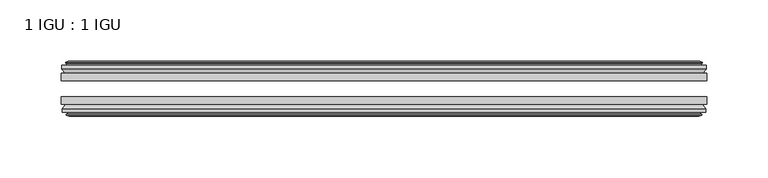
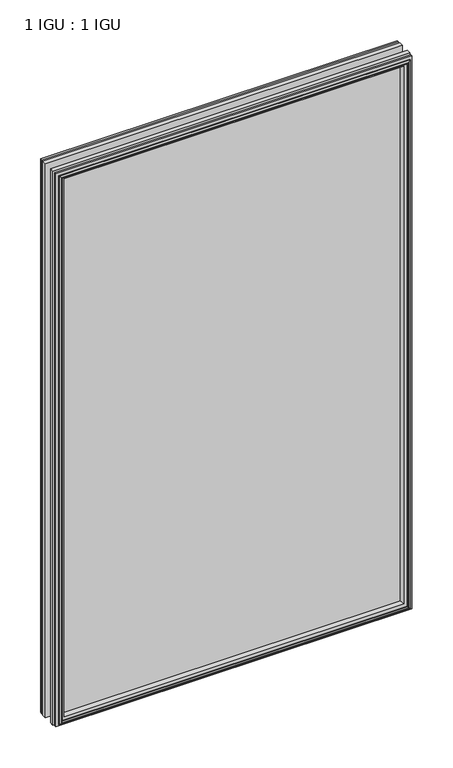
"""IFC4 building model written with IfcOpenShell, lengths in millimetres: plate geometry, 1 IGU : 1 IGU."""

from ifc_helpers import new_model, si_unit, frame, origin, place, context, project, spatial, polyline, outline, extrude, faceted_brep, source, transform, mapped, element, save


def plate_1_igu_1_igu_518a742e(model_context):
    return source(origin(), model_context, "Body", "SolidModel", [
        extrude(outline(polyline([(263.509125, -25.8960937), (263.509125, -32.2460938), (-263.509125, -32.2460938), (-263.509125, -25.8960937), (263.509125, -25.8960937)])), frame((0.0, 0.0, -12.7), z_axis=(0.0, 0.0, 1.0), x_axis=(1.0, 0.0, 0.0)), (0.0, 0.0, 1.0), 863.6),
        extrude(outline(polyline([(-263.509125, -51.2960938), (-263.509125, -45.2686737), (263.509125, -45.2686737), (263.509125, -51.2960938), (-263.509125, -51.2960938)])), frame((0.0, 0.0, -12.7), z_axis=(0.0, 0.0, 1.0), x_axis=(1.0, 0.0, 0.0)), (0.0, 0.0, 1.0), 863.6),
        faceted_brep([(-257.921125, -60.0262907, 845.312), (-258.302125, -57.6460937, 845.693), (-258.302125, -57.6460937, -7.493), (-257.921125, -60.0262907, -7.112), (-259.336654, -59.5663575, 846.727529), (-259.336654, -59.5663575, -8.5275291), (-259.336654, -60.3675717, 846.727529), (-259.336654, -60.3675717, -8.5275291), (-257.159125, -61.0750937, 844.55), (-257.159125, -61.0750937, -6.35), (-254.9815959, -60.3675717, 842.3724709), (-254.9815959, -60.3675717, -4.1724709), (-254.9815959, -59.5663575, 842.3724709), (-254.9815959, -59.5663575, -4.1724709), (-256.397125, -60.0262907, 843.788), (-256.397125, -60.0262907, -5.588), (-256.016125, -57.6460937, 843.407), (-256.016125, -57.6460937, -5.207), (-249.0914069, -51.2960937, 836.4822819), (-250.809125, -57.6460937, 838.2), (-250.809125, -57.6460937, 0.0), (-249.0914069, -51.2960937, 1.7177181), (-262.747125, -54.6996937, 850.138), (-259.9127828, -51.2960937, 847.3036578), (-259.9127828, -51.2960937, -9.1036578), (-262.747125, -54.6996937, -11.938), (-262.747125, -57.6460937, 850.138), (-262.747125, -57.6460937, -11.938), (258.302125, -57.6460938, -7.493), (257.921125, -60.0262907, -7.112), (259.336654, -59.5663575, -8.5275291), (259.336654, -60.3675717, -8.5275291), (257.159125, -61.0750937, -6.35), (254.9815959, -60.3675717, -4.1724709), (254.9815959, -59.5663575, -4.1724709), (256.397125, -60.0262907, -5.588), (256.016125, -57.6460937, -5.207), (250.809125, -57.6460937, 0.0), (249.0914069, -51.2960937, 1.7177181), (259.9127828, -51.2960937, -9.1036578), (262.747125, -54.6996937, -11.938), (262.747125, -57.6460938, -11.938), (258.302125, -57.6460938, 845.693), (257.921125, -60.0262907, 845.312), (259.336654, -59.5663575, 846.727529), (259.336654, -60.3675717, 846.727529), (257.159125, -61.0750937, 844.55), (254.9815959, -60.3675717, 842.3724709), (254.9815959, -59.5663575, 842.3724709), (256.397125, -60.0262907, 843.788), (256.016125, -57.6460937, 843.407), (250.809125, -57.6460937, 838.2), (249.0914069, -51.2960937, 836.4822819), (259.9127828, -51.2960937, 847.3036578), (262.747125, -54.6996937, 850.138), (262.747125, -57.6460938, 850.138)], [[[0, 1, 2, 3]], [[4, 0, 3, 5]], [[6, 4, 5, 7]], [[8, 6, 7, 9]], [[10, 8, 9, 11]], [[12, 10, 11, 13]], [[14, 12, 13, 15]], [[16, 14, 15, 17]], [[18, 19, 20, 21]], [[22, 23, 24, 25]], [[26, 22, 25, 27]], [[3, 2, 28, 29]], [[5, 3, 29, 30]], [[7, 5, 30, 31]], [[9, 7, 31, 32]], [[11, 9, 32, 33]], [[13, 11, 33, 34]], [[15, 13, 34, 35]], [[17, 15, 35, 36]], [[21, 20, 37, 38]], [[25, 24, 39, 40]], [[27, 25, 40, 41]], [[29, 28, 42, 43]], [[30, 29, 43, 44]], [[31, 30, 44, 45]], [[32, 31, 45, 46]], [[33, 32, 46, 47]], [[34, 33, 47, 48]], [[35, 34, 48, 49]], [[36, 35, 49, 50]], [[38, 37, 51, 52]], [[40, 39, 53, 54]], [[41, 40, 54, 55]], [[27, 41, 55, 26], [1, 42, 28, 2]], [[43, 42, 1, 0]], [[44, 43, 0, 4]], [[45, 44, 4, 6]], [[46, 45, 6, 8]], [[47, 46, 8, 10]], [[48, 47, 10, 12]], [[49, 48, 12, 14]], [[50, 49, 14, 16]], [[17, 36, 50, 16], [19, 51, 37, 20]], [[52, 51, 19, 18]], [[23, 53, 39, 24], [21, 38, 52, 18]], [[54, 53, 23, 22]], [[55, 54, 22, 26]]]),
        faceted_brep([(-260.4334828, -25.8960937, 847.8243578), (-263.267825, -22.4924937, 850.6587), (-263.267825, -22.4924937, -12.4587), (-260.4334828, -25.8960937, -9.6243578), (-251.329825, -19.5460937, 838.7207), (-249.6121069, -25.8960937, 837.0029819), (-249.6121069, -25.8960937, 1.1970181), (-251.329825, -19.5460937, -0.5207), (-256.917825, -17.1658968, 844.3087), (-256.536825, -19.5460937, 843.9277), (-256.536825, -19.5460937, -5.7277), (-256.917825, -17.1658968, -6.1087), (-255.5022959, -17.62583, 842.8931709), (-255.5022959, -17.62583, -4.6931709), (-255.5022959, -16.8246158, 842.8931709), (-255.5022959, -16.8246158, -4.6931709), (-257.679825, -16.1170937, 845.0707), (-257.679825, -16.1170937, -6.8707), (-259.857354, -16.8246158, 847.248229), (-259.857354, -16.8246158, -9.0482291), (-259.857354, -17.62583, 847.248229), (-259.857354, -17.62583, -9.0482291), (-258.441825, -17.1658968, 845.8327), (-258.441825, -17.1658968, -7.6327), (-258.822825, -19.5460937, 846.2137), (-258.822825, -19.5460937, -8.0137), (-263.267825, -19.5460937, 850.6587), (-263.267825, -19.5460937, -12.4587), (263.267825, -22.4924937, -12.4587), (260.4334828, -25.8960937, -9.6243578), (249.6121069, -25.8960937, 1.1970181), (251.329825, -19.5460937, -0.5207), (256.536825, -19.5460937, -5.7277), (256.917825, -17.1658968, -6.1087), (255.5022959, -17.62583, -4.6931709), (255.5022959, -16.8246158, -4.6931709), (257.679825, -16.1170937, -6.8707), (259.857354, -16.8246158, -9.0482291), (259.857354, -17.62583, -9.0482291), (258.441825, -17.1658968, -7.6327), (258.822825, -19.5460937, -8.0137), (263.267825, -19.5460937, -12.4587), (263.267825, -22.4924937, 850.6587), (260.4334828, -25.8960937, 847.8243578), (249.6121069, -25.8960937, 837.0029819), (251.329825, -19.5460937, 838.7207), (256.536825, -19.5460937, 843.9277), (256.917825, -17.1658968, 844.3087), (255.5022959, -17.62583, 842.8931709), (255.5022959, -16.8246158, 842.8931709), (257.679825, -16.1170937, 845.0707), (259.857354, -16.8246158, 847.248229), (259.857354, -17.62583, 847.248229), (258.441825, -17.1658968, 845.8327), (258.822825, -19.5460937, 846.2137), (263.267825, -19.5460937, 850.6587)], [[[0, 1, 2, 3]], [[4, 5, 6, 7]], [[8, 9, 10, 11]], [[12, 8, 11, 13]], [[14, 12, 13, 15]], [[16, 14, 15, 17]], [[18, 16, 17, 19]], [[20, 18, 19, 21]], [[22, 20, 21, 23]], [[24, 22, 23, 25]], [[1, 26, 27, 2]], [[3, 2, 28, 29]], [[7, 6, 30, 31]], [[11, 10, 32, 33]], [[13, 11, 33, 34]], [[15, 13, 34, 35]], [[17, 15, 35, 36]], [[19, 17, 36, 37]], [[21, 19, 37, 38]], [[23, 21, 38, 39]], [[25, 23, 39, 40]], [[2, 27, 41, 28]], [[29, 28, 42, 43]], [[31, 30, 44, 45]], [[33, 32, 46, 47]], [[34, 33, 47, 48]], [[35, 34, 48, 49]], [[36, 35, 49, 50]], [[37, 36, 50, 51]], [[38, 37, 51, 52]], [[39, 38, 52, 53]], [[40, 39, 53, 54]], [[28, 41, 55, 42]], [[43, 42, 1, 0]], [[3, 29, 43, 0], [5, 44, 30, 6]], [[45, 44, 5, 4]], [[9, 46, 32, 10], [7, 31, 45, 4]], [[47, 46, 9, 8]], [[48, 47, 8, 12]], [[49, 48, 12, 14]], [[50, 49, 14, 16]], [[51, 50, 16, 18]], [[52, 51, 18, 20]], [[53, 52, 20, 22]], [[54, 53, 22, 24]], [[26, 55, 41, 27], [25, 40, 54, 24]], [[42, 55, 26, 1]]]),
    ])


if __name__ == "__main__":
    model = new_model("IFC4")
    model_context = context("Model", 3, world=origin())
    ifc_project = project(units=[si_unit("LENGTHUNIT", "METRE", prefix="MILLI")], contexts=[model_context])
    site = spatial("IfcSite", under=ifc_project)
    building = spatial("IfcBuilding", under=site)
    placement = place(None, origin())
    plate_1_igu_1_igu_shape = plate_1_igu_1_igu_518a742e(model_context)
    element("IfcPlate", 1, ObjectType="1 IGU : 1 IGU", at=placement, inside=building, context=model_context, shape_type="MappedRepresentation", body=[
        mapped(plate_1_igu_1_igu_shape, transform((0.0, 0.0, 0.0), x_axis=(1.0, 0.0, 0.0), y_axis=(0.0, 1.0, 0.0), z_axis=(0.0, 0.0, 1.0))),
    ])
    save(model, "model.ifc")
